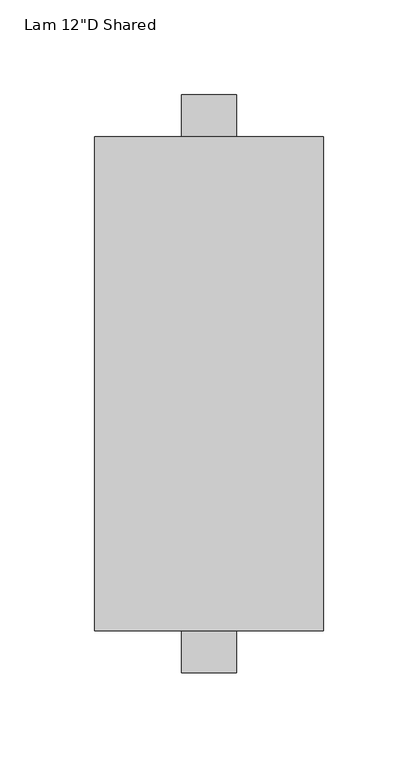
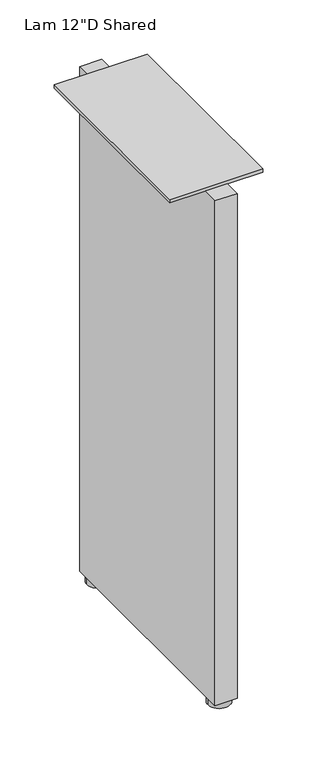
"""IFC4 building model written with IfcOpenShell, lengths in millimetres: furniture geometry."""

from ifc_helpers import new_model, si_unit, frame, origin, place, context, project, spatial, polyline, circle_curve, outline, extrude, source, transform, mapped, element, save
from ifc_brep_helpers import plane_surface, cylinder_surface, advanced_brep


def furniture_5e1696b8(model_context):
    return source(origin(), model_context, "Body", "SolidModel", [
        extrude(outline(polyline([(-761.998801, -42.3359799), (-761.998801, 262.4640201), (-733.144401, 262.4640201), (-733.144401, -42.3359799), (-761.998801, -42.3359799)])), frame((0.0, 0.0, 8.6614), z_axis=(0.0, 0.0, 1.0), x_axis=(1.0, 0.0, 0.0)), (0.0, 0.0, 1.0), 694.0042222),
        advanced_brep(
        [(-733.284101, 246.5890201, 0.0), (-761.859101, 246.5890201, 0.0), (-747.571601, 246.5890201, 0.0), (-733.284101, 246.5890201, 7.874), (-761.859101, 246.5890201, 7.874), (-742.809101, 246.5890201, 7.874), (-752.334101, 246.5890201, 7.874), (-742.809101, 246.5890201, 8.6614), (-752.334101, 246.5890201, 8.6614), (-747.571601, 246.5890201, 8.6614)],
        [
            (0, 1, circle_curve(frame((-747.571601, 246.5890201, 0.0), z_axis=(0.0, 0.0, -1.0), x_axis=(-1.0, 0.0, 0.0)), 14.2875)),
            (1, 2),
            (2, 0),
            (1, 0, circle_curve(frame((-747.571601, 246.5890201, 0.0), z_axis=(0.0, 0.0, -1.0), x_axis=(-1.0, 0.0, 0.0)), 14.2875)),
            (3, 4, circle_curve(frame((-747.571601, 246.5890201, 7.874), z_axis=(0.0, 0.0, -1.0), x_axis=(-1.0, 0.0, 0.0)), 14.2875)),
            (4, 1),
            (0, 3),
            (4, 3, circle_curve(frame((-747.571601, 246.5890201, 7.874), z_axis=(0.0, 0.0, -1.0), x_axis=(-1.0, 0.0, 0.0)), 14.2875)),
            (5, 6, circle_curve(frame((-747.571601, 246.5890201, 7.874), z_axis=(0.0, 0.0, -1.0), x_axis=(-1.0, 0.0, 0.0)), 4.7625)),
            (6, 4),
            (3, 5),
            (6, 5, circle_curve(frame((-747.571601, 246.5890201, 7.874), z_axis=(0.0, 0.0, -1.0), x_axis=(-1.0, 0.0, 0.0)), 4.7625)),
            (7, 8, circle_curve(frame((-747.571601, 246.5890201, 8.6614), z_axis=(0.0, 0.0, -1.0), x_axis=(-1.0, 0.0, 0.0)), 4.7625)),
            (8, 6),
            (5, 7),
            (8, 7, circle_curve(frame((-747.571601, 246.5890201, 8.6614), z_axis=(0.0, 0.0, -1.0), x_axis=(-1.0, 0.0, 0.0)), 4.7625)),
            (9, 8),
            (7, 9),
        ],
        [
            plane_surface(frame((-747.571601, 246.5890201, 0.0), z_axis=(0.0, 0.0, -1.0), x_axis=(-1.0, 0.0, 0.0))),
            cylinder_surface(frame((-747.571601, 246.5890201, -2.6032322), z_axis=(0.0, 0.0, 1.0), x_axis=(-1.0, 0.0, 0.0)), 14.2875),
            plane_surface(frame((-747.571601, 246.5890201, 7.874), z_axis=(0.0, 0.0, 1.0), x_axis=(-1.0, 0.0, 0.0))),
            cylinder_surface(frame((-747.571601, 246.5890201, -2.6032322), z_axis=(0.0, 0.0, 1.0), x_axis=(-1.0, 0.0, 0.0)), 4.7625),
            plane_surface(frame((-747.571601, 246.5890201, 8.6614), z_axis=(0.0, 0.0, 1.0), x_axis=(-1.0, 0.0, 0.0))),
        ],
        [
            (0, [[1, 2, 3]]),
            (0, [[4, -3, -2]]),
            (1, [[5, 6, -1, 7]]),
            (1, [[8, -7, -4, -6]]),
            (2, [[9, 10, -5, 11]]),
            (2, [[12, -11, -8, -10]]),
            (3, [[13, 14, -9, 15]]),
            (3, [[16, -15, -12, -14]]),
            (4, [[17, -13, 18]]),
            (4, [[-18, -16, -17]]),
        ],
    ),
        extrude(outline(polyline([(-687.246601, 240.2390201), (-687.246601, -20.1109799), (-807.896601, -20.1109799), (-807.896601, 240.2390201), (-687.246601, 240.2390201)])), frame((0.0, 0.0, 702.6656222), z_axis=(0.0, 0.0, 1.0), x_axis=(1.0, 0.0, 0.0)), (0.0, 0.0, 1.0), 4.3434),
        advanced_brep(
        [(-733.284101, -26.4609799, 0.0), (-761.859101, -26.4609799, 0.0), (-747.571601, -26.4609799, 0.0), (-733.284101, -26.4609799, 7.874), (-761.859101, -26.4609799, 7.874), (-742.809101, -26.4609799, 7.874), (-752.334101, -26.4609799, 7.874), (-742.809101, -26.4609799, 8.6614), (-752.334101, -26.4609799, 8.6614), (-747.571601, -26.4609799, 8.6614)],
        [
            (0, 1, circle_curve(frame((-747.571601, -26.4609799, 0.0), z_axis=(0.0, 0.0, -1.0), x_axis=(-1.0, 0.0, 0.0)), 14.2875)),
            (1, 2),
            (2, 0),
            (1, 0, circle_curve(frame((-747.571601, -26.4609799, 0.0), z_axis=(0.0, 0.0, -1.0), x_axis=(-1.0, 0.0, 0.0)), 14.2875)),
            (3, 4, circle_curve(frame((-747.571601, -26.4609799, 7.874), z_axis=(0.0, 0.0, -1.0), x_axis=(-1.0, 0.0, 0.0)), 14.2875)),
            (4, 1),
            (0, 3),
            (4, 3, circle_curve(frame((-747.571601, -26.4609799, 7.874), z_axis=(0.0, 0.0, -1.0), x_axis=(-1.0, 0.0, 0.0)), 14.2875)),
            (5, 6, circle_curve(frame((-747.571601, -26.4609799, 7.874), z_axis=(0.0, 0.0, -1.0), x_axis=(-1.0, 0.0, 0.0)), 4.7625)),
            (6, 4),
            (3, 5),
            (6, 5, circle_curve(frame((-747.571601, -26.4609799, 7.874), z_axis=(0.0, 0.0, -1.0), x_axis=(-1.0, 0.0, 0.0)), 4.7625)),
            (7, 8, circle_curve(frame((-747.571601, -26.4609799, 8.6614), z_axis=(0.0, 0.0, -1.0), x_axis=(-1.0, 0.0, 0.0)), 4.7625)),
            (8, 6),
            (5, 7),
            (8, 7, circle_curve(frame((-747.571601, -26.4609799, 8.6614), z_axis=(0.0, 0.0, -1.0), x_axis=(-1.0, 0.0, 0.0)), 4.7625)),
            (9, 8),
            (7, 9),
        ],
        [
            plane_surface(frame((-747.571601, -26.4609799, 0.0), z_axis=(0.0, 0.0, -1.0), x_axis=(-1.0, 0.0, 0.0))),
            cylinder_surface(frame((-747.571601, -26.4609799, -2.6032322), z_axis=(0.0, 0.0, 1.0), x_axis=(-1.0, 0.0, 0.0)), 14.2875),
            plane_surface(frame((-747.571601, -26.4609799, 7.874), z_axis=(0.0, 0.0, 1.0), x_axis=(-1.0, 0.0, 0.0))),
            cylinder_surface(frame((-747.571601, -26.4609799, -2.6032322), z_axis=(0.0, 0.0, 1.0), x_axis=(-1.0, 0.0, 0.0)), 4.7625),
            plane_surface(frame((-747.571601, -26.4609799, 8.6614), z_axis=(0.0, 0.0, 1.0), x_axis=(-1.0, 0.0, 0.0))),
        ],
        [
            (0, [[1, 2, 3]]),
            (0, [[4, -3, -2]]),
            (1, [[5, 6, -1, 7]]),
            (1, [[8, -7, -4, -6]]),
            (2, [[9, 10, -5, 11]]),
            (2, [[12, -11, -8, -10]]),
            (3, [[13, 14, -9, 15]]),
            (3, [[16, -15, -12, -14]]),
            (4, [[17, -13, 18]]),
            (4, [[-18, -16, -17]]),
        ],
    ),
    ])


if __name__ == "__main__":
    model = new_model("IFC4")
    model_context = context("Model", 3, world=origin())
    ifc_project = project(units=[si_unit("LENGTHUNIT", "METRE", prefix="MILLI")], contexts=[model_context])
    site = spatial("IfcSite", under=ifc_project)
    building = spatial("IfcBuilding", under=site)
    placement = place(None, origin())
    furniture_shape = furniture_5e1696b8(model_context)
    element("IfcFurniture", 1, ObjectType="Lam 12\"D Shared", at=placement, inside=building, context=model_context, shape_type="MappedRepresentation", body=[
        mapped(furniture_shape, transform((0.0, 0.0, 0.0), x_axis=(1.0, 0.0, 0.0), y_axis=(0.0, 1.0, 0.0), z_axis=(0.0, 0.0, 1.0))),
    ])
    save(model, "model.ifc")
